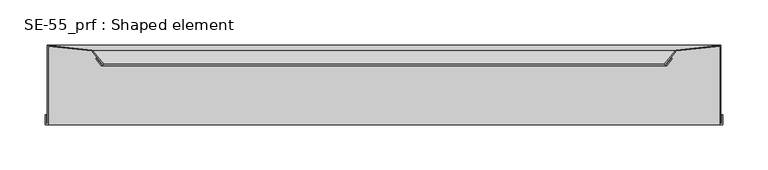
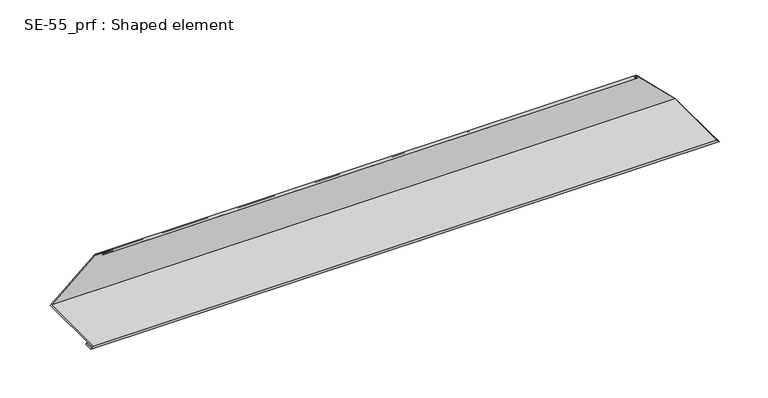
"""IFC4 building model written with IfcOpenShell, lengths in millimetres: proxy geometry, SE-55_prf : Shaped element."""

import ifcopenshell
import ifcopenshell.guid

model = None  # the IFC model being written
_history = None  # IfcOwnerHistory: only IFC2X3 demands one
_inside = {}  # id of a spatial element -> (the spatial element, [elements in it])
_under = {}  # id of a project, library or spatial element -> (it, [spatial elements below it])
_declared = {}  # id of a project -> (the project, [libraries it declares])
_typed = {}  # id of a type object -> (the type object, [elements of that type])
_made_of = {}  # id of a material, layer set ... -> (it, [elements and type objects made of it])


def new_model(schema):
    """Start an empty IFC model of exactly this schema.

    Asked for "IFC4X3", IfcOpenShell would pick the latest addendum, in which some entities
    have other attributes; the version numbers below select the first issue.
    IFC2X3 requires an IfcOwnerHistory on every rooted entity: one is made here for all.
    """
    global model, _history
    if schema == "IFC4X3":
        model = ifcopenshell.file(schema_version=(4, 3, 0, 0))
    else:
        model = ifcopenshell.file(schema=schema)
    _inside.clear()
    _under.clear()
    _declared.clear()
    _typed.clear()
    _made_of.clear()
    _history = None
    if model.schema == "IFC2X3":
        org = make("IfcOrganization", Name="unknown")
        user = make(
            "IfcPersonAndOrganization",
            ThePerson=make("IfcPerson", FamilyName="unknown"),
            TheOrganization=org,
        )
        app = make(
            "IfcApplication",
            ApplicationDeveloper=org,
            Version="unknown",
            ApplicationFullName="unknown",
            ApplicationIdentifier="unknown",
        )
        _history = make(
            "IfcOwnerHistory",
            OwningUser=user,
            OwningApplication=app,
            ChangeAction="ADDED",
            CreationDate=0,
        )
    return model


def make(cls, **values):
    """One entity of the class cls with the attributes given. An attribute that is None is left unset."""
    return model.create_entity(
        cls, **{name: value for name, value in values.items() if value is not None}
    )


def rooted(cls, **values):
    """An entity with a GlobalId (a new one), such as an element, a storey or a relation."""
    return make(cls, GlobalId=ifcopenshell.guid.new(), OwnerHistory=_history, **values)


def si_unit(unit_type, name, prefix=None):
    """IfcSIUnit, for example si_unit("LENGTHUNIT", "METRE", prefix="MILLI")."""
    return make("IfcSIUnit", UnitType=unit_type, Prefix=prefix, Name=name)


def assignment(units):
    """IfcUnitAssignment: the units of a project."""
    return None if units is None else make("IfcUnitAssignment", Units=units)


def point(xyz):
    """IfcCartesianPoint."""
    return None if xyz is None else make("IfcCartesianPoint", Coordinates=xyz)


def direction(xyz):
    """IfcDirection."""
    return None if xyz is None else make("IfcDirection", DirectionRatios=xyz)


def frame(location, z_axis=None, x_axis=None):
    """IfcAxis2Placement3D, a coordinate frame: its origin and axes. An axis left out is left unset."""
    return make(
        "IfcAxis2Placement3D",
        Location=point(location),
        Axis=direction(z_axis),
        RefDirection=direction(x_axis),
    )


def origin():
    """The frame at (0, 0, 0) with its axes left unset."""
    return frame((0.0, 0.0, 0.0))


def place(relative_to, where):
    """IfcLocalPlacement: puts the frame where relative to a parent placement (None: the world)."""
    return make(
        "IfcLocalPlacement", PlacementRelTo=relative_to, RelativePlacement=where
    )


def context(
    kind, dimensions, precision=None, world=None, true_north=None, identifier=None
):
    """IfcGeometricRepresentationContext, for example the 3D "Model" context."""
    return make(
        "IfcGeometricRepresentationContext",
        ContextIdentifier=identifier,
        ContextType=kind,
        CoordinateSpaceDimension=dimensions,
        Precision=precision,
        WorldCoordinateSystem=world,
        TrueNorth=true_north,
    )


def project(units=None, contexts=None):
    """IfcProject with its units and contexts."""
    return rooted(
        "IfcProject",
        Name="project",
        RepresentationContexts=contexts,
        UnitsInContext=assignment(units),
    )


def spatial(cls, under=None, at=None, **own):
    """A site, building, storey or space (cls), placed at a placement, below another one or the project."""
    s = rooted(cls, ObjectPlacement=at, **own)
    if under is not None:
        _under.setdefault(under.id(), (under, []))[1].append(s)
    return s


def faces_of(points, faces, orient=None, outer=None):
    """IfcFace entities. A face is a list of loops; a loop is a list of indices into points, from 0.

    orient and outer hold one flag for each loop. By default every Orientation is true, the
    first loop of a face is its IfcFaceOuterBound and the others are IfcFaceBound.
    """
    made = []
    for i, loops in enumerate(faces):
        bounds = []
        for j, loop in enumerate(loops):
            is_outer = j == 0 if outer is None else outer[i][j]
            bounds.append(
                make(
                    "IfcFaceOuterBound" if is_outer else "IfcFaceBound",
                    Bound=make("IfcPolyLoop", Polygon=[points[k] for k in loop]),
                    Orientation=True if orient is None else orient[i][j],
                )
            )
        made.append(make("IfcFace", Bounds=bounds))
    return made


def faceted_brep(points, faces, orient=None, outer=None, voids=None):
    """IfcFacetedBrep: a solid bounded by flat faces; with voids (closed shells), ...WithVoids."""
    shared = [point(p) for p in points]
    hull = make("IfcClosedShell", CfsFaces=faces_of(shared, faces, orient, outer))
    if voids is None:
        return make("IfcFacetedBrep", Outer=hull)
    return make(
        "IfcFacetedBrepWithVoids",
        Outer=hull,
        Voids=[
            make(cls, CfsFaces=faces_of(shared, fs, o, b)) for cls, fs, o, b in voids
        ],
    )


def shape(context_of_items, identifier, shape_type, items):
    """IfcShapeRepresentation: the items that make up one representation, for example the "Body"."""
    return make(
        "IfcShapeRepresentation",
        ContextOfItems=context_of_items,
        RepresentationIdentifier=identifier,
        RepresentationType=shape_type,
        Items=items,
    )


def source(mapping_origin, context_of_items, identifier, shape_type, items):
    """IfcRepresentationMap: a shape defined once, which mapped items show again and again."""
    return make(
        "IfcRepresentationMap",
        MappingOrigin=mapping_origin,
        MappedRepresentation=shape(context_of_items, identifier, shape_type, items),
    )


def transform(
    local_origin,
    x_axis=None,
    y_axis=None,
    z_axis=None,
    scale=None,
    scale2=None,
    scale3=None,
    uniform=True,
):
    """IfcCartesianTransformationOperator3D, or its non-uniform kind. x_axis, y_axis, z_axis: its Axis1, 2, 3."""
    if uniform:
        return make(
            "IfcCartesianTransformationOperator3D",
            Axis1=direction(x_axis),
            Axis2=direction(y_axis),
            LocalOrigin=point(local_origin),
            Scale=scale,
            Axis3=direction(z_axis),
        )
    return make(
        "IfcCartesianTransformationOperator3DnonUniform",
        Axis1=direction(x_axis),
        Axis2=direction(y_axis),
        LocalOrigin=point(local_origin),
        Scale=scale,
        Axis3=direction(z_axis),
        Scale2=scale2,
        Scale3=scale3,
    )


def mapped(mapping_source, mapping_target):
    """IfcMappedItem: shows the shape of a source again, moved by a transform."""
    return make(
        "IfcMappedItem", MappingSource=mapping_source, MappingTarget=mapping_target
    )


def made_of(thing, what):
    """Note that an element or type object is made of a material, layer set ...; save() writes the relation."""
    if what is not None:
        _made_of.setdefault(what.id(), (what, []))[1].append(thing)
    return thing


def element(
    cls,
    number,
    at=None,
    inside=None,
    cuts=None,
    type_object=None,
    material=None,
    context=None,
    identifier="Body",
    shape_type=None,
    held_by="IfcProductDefinitionShape",
    body=None,
    shapes=None,
    **own,
):
    """One element of the class cls, such as IfcWall. Its Tag is "e" and its number.

    at: its placement. inside: the storey or other place that contains it. cuts: it is an
    opening in that element (IfcRelVoidsElement). A single representation is given by context,
    identifier, shape_type and body (its items); several are given by shapes. held_by: the class
    of the entity that holds the representations. save() writes the other relations.
    """
    e = rooted(cls, Tag="e%d" % number, ObjectPlacement=at, **own)
    if body is not None:
        shapes = [shape(context, identifier, shape_type, body)]
    if shapes is not None:
        e.Representation = make(held_by, Representations=shapes)
    if inside is not None:
        _inside.setdefault(inside.id(), (inside, []))[1].append(e)
    if cuts is not None:
        rooted(
            "IfcRelVoidsElement", RelatingBuildingElement=cuts, RelatedOpeningElement=e
        )
    if type_object is not None:
        _typed.setdefault(type_object.id(), (type_object, []))[1].append(e)
    return made_of(e, material)


def aggregate(whole, parts):
    """IfcRelAggregates: a whole, such as a stair, and the parts it consists of."""
    return rooted("IfcRelAggregates", RelatingObject=whole, RelatedObjects=parts)


def save(model, path):
    """Write the relations noted so far, then the file.

    IfcRelAggregates (storeys below a building ...), IfcRelContainedInSpatialStructure (elements
    in a storey), IfcRelDefinesByType, IfcRelAssociatesMaterial and IfcRelDeclares: one each for
    every whole, place, type object, material and project.
    """
    for whole, parts in _under.values():
        aggregate(whole, parts)
    for where, things in _inside.values():
        rooted(
            "IfcRelContainedInSpatialStructure",
            RelatedElements=things,
            RelatingStructure=where,
        )
    for kind, things in _typed.values():
        rooted("IfcRelDefinesByType", RelatedObjects=things, RelatingType=kind)
    for what, things in _made_of.values():
        rooted("IfcRelAssociatesMaterial", RelatedObjects=things, RelatingMaterial=what)
    for by, libraries in _declared.values():
        rooted("IfcRelDeclares", RelatingContext=by, RelatedDefinitions=libraries)
    model.write(path)


def se_55_prf_shaped_element_2fc23070(model_context):
    return source(origin(), model_context, "Body", "Brep", [
        faceted_brep([(2.0, -89.0, 2.0), (2.0, -79.0, 2.0), (1.0, -79.0, 1.0), (1.0, -90.0, 1.0), (4.0, -90.0, 4.0), (4.0, -3.6471503, 4.0), (52.2096218, -8.7141857, 52.2096218), (63.9753657, -23.2436693, 63.9753657), (63.1982197, -23.8729897, 63.1982197), (57.5343362, -16.878676, 57.5343362), (56.7571902, -17.5079964, 56.7571902), (63.0503942, -25.279456, 63.0503942), (65.381832, -23.3914949, 65.381832), (52.7260948, -7.7629609, 52.7260948), (3.0, -2.5365377, 3.0), (3.0, -89.0, 3.0), (748.0, -79.0, 2.0), (748.0, -89.0, 2.0), (747.0, -89.0, 3.0), (747.0, -2.5365377, 3.0), (697.2739052, -7.7629609, 52.7260948), (684.618168, -23.3914949, 65.381832), (686.9496058, -25.279456, 63.0503942), (693.2428098, -17.5079964, 56.7571902), (692.4656638, -16.878676, 57.5343362), (686.8017803, -23.8729897, 63.1982197), (686.0246343, -23.2436693, 63.9753657), (697.7903782, -8.7141857, 52.2096218), (746.0, -3.6471503, 4.0), (746.0, -90.0, 4.0), (749.0, -90.0, 1.0), (749.0, -79.0, 1.0)], [[[0, 1, 2, 3, 4, 5, 6, 7, 8, 9, 10, 11, 12, 13, 14, 15]], [[16, 17, 18, 19, 20, 21, 22, 23, 24, 25, 26, 27, 28, 29, 30, 31]], [[1, 0, 17, 16]], [[2, 1, 16, 31]], [[3, 2, 31, 30]], [[4, 3, 30, 29]], [[5, 4, 29, 28]], [[6, 5, 28, 27]], [[7, 6, 27, 26]], [[8, 7, 26, 25]], [[9, 8, 25, 24]], [[10, 9, 24, 23]], [[11, 10, 23, 22]], [[12, 11, 22, 21]], [[13, 12, 21, 20]], [[14, 13, 20, 19]], [[15, 14, 19, 18]], [[0, 15, 18, 17]]]),
    ])


if __name__ == "__main__":
    model = new_model("IFC4")
    model_context = context("Model", 3, world=origin())
    ifc_project = project(units=[si_unit("LENGTHUNIT", "METRE", prefix="MILLI")], contexts=[model_context])
    site = spatial("IfcSite", under=ifc_project)
    building = spatial("IfcBuilding", under=site)
    placement = place(None, origin())
    se_55_prf_shaped_element_shape = se_55_prf_shaped_element_2fc23070(model_context)
    element("IfcBuildingElementProxy", 1, Name="SE-55_prf : Shaped element", ObjectType="SE-55_prf : Shaped element", at=placement, inside=building, context=model_context, shape_type="MappedRepresentation", body=[
        mapped(se_55_prf_shaped_element_shape, transform((0.0, 0.0, 0.0), x_axis=(1.0, 0.0, 0.0), y_axis=(0.0, 1.0, 0.0), z_axis=(0.0, 0.0, 1.0))),
    ])
    save(model, "model.ifc")
